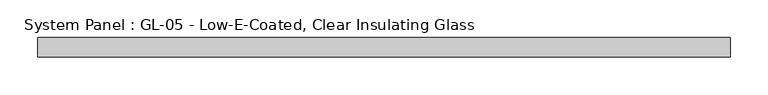
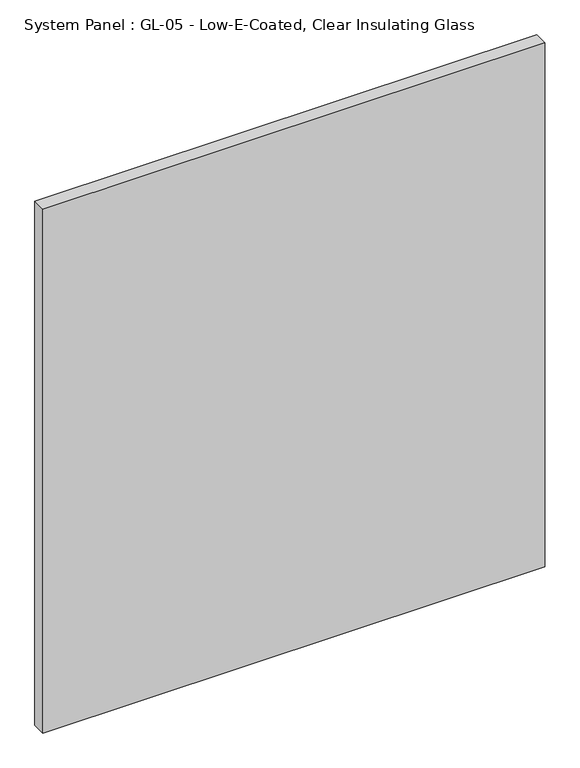
"""IFC4 building model written with IfcOpenShell, lengths in millimetres: plate geometry, System Panel : GL-05 - Low-E-Coated, Clear Insulating Glass."""

from ifc_helpers import new_model, si_unit, origin, origin_with_axes, place, context, project, spatial, polyline, outline, extrude, source, transform, mapped, element, save


def system_panel_gl_05_low_e_coated_clear_insulating_glass_ab6eb919(model_context):
    return source(origin(), model_context, "Body", "SweptSolid", [
        extrude(outline(polyline([(457.2, -12.7), (-457.2, -12.7), (-457.2, 12.7), (457.2, 12.7), (457.2, -12.7)])), origin_with_axes(), (0.0, 0.0, 1.0), 1009.65),
    ])


if __name__ == "__main__":
    model = new_model("IFC4")
    model_context = context("Model", 3, world=origin())
    ifc_project = project(units=[si_unit("LENGTHUNIT", "METRE", prefix="MILLI")], contexts=[model_context])
    site = spatial("IfcSite", under=ifc_project)
    building = spatial("IfcBuilding", under=site)
    placement = place(None, origin())
    system_panel_gl_05_low_e_coated_clear_insulating_glass_shape = system_panel_gl_05_low_e_coated_clear_insulating_glass_ab6eb919(model_context)
    element("IfcPlate", 1, ObjectType="System Panel : GL-05 - Low-E-Coated, Clear Insulating Glass", at=placement, inside=building, context=model_context, shape_type="MappedRepresentation", body=[
        mapped(system_panel_gl_05_low_e_coated_clear_insulating_glass_shape, transform((0.0, 0.0, 0.0), x_axis=(1.0, 0.0, 0.0), y_axis=(0.0, 1.0, 0.0), z_axis=(0.0, 0.0, 1.0))),
    ])
    save(model, "model.ifc")
